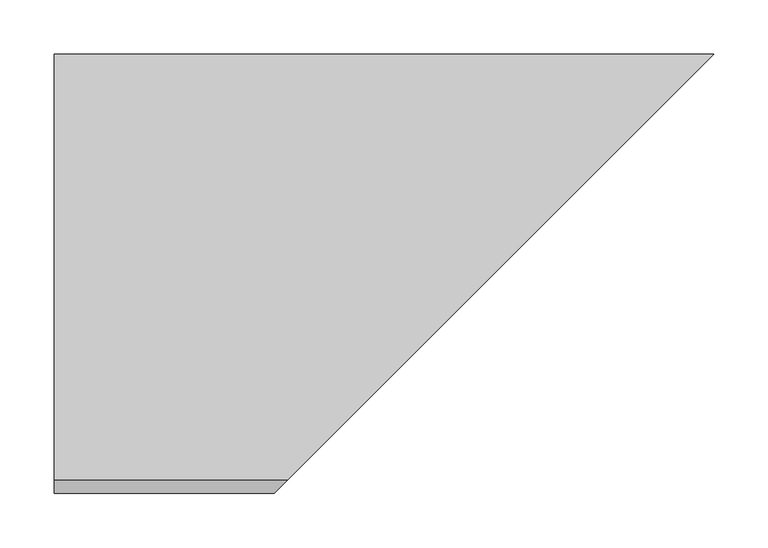
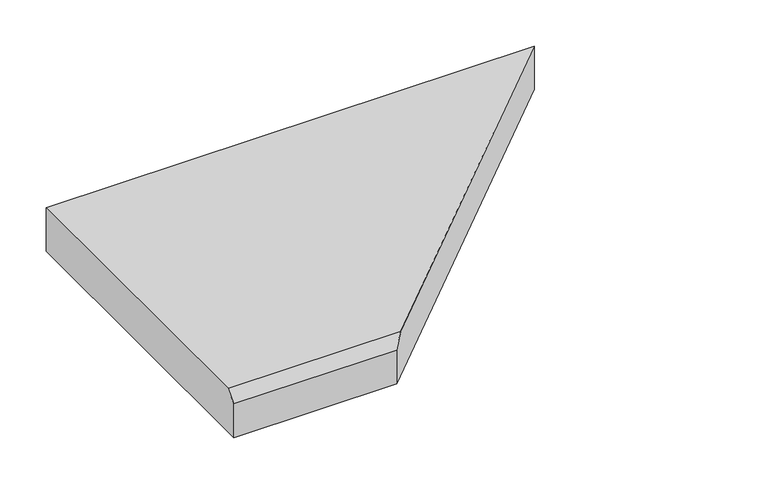
"""IFC4 building model written with IfcOpenShell, lengths in millimetres: proxy geometry."""

import ifcopenshell
import ifcopenshell.guid

model = None  # the IFC model being written
_history = None  # IfcOwnerHistory: only IFC2X3 demands one
_inside = {}  # id of a spatial element -> (the spatial element, [elements in it])
_under = {}  # id of a project, library or spatial element -> (it, [spatial elements below it])
_declared = {}  # id of a project -> (the project, [libraries it declares])
_typed = {}  # id of a type object -> (the type object, [elements of that type])
_made_of = {}  # id of a material, layer set ... -> (it, [elements and type objects made of it])


def new_model(schema):
    """Start an empty IFC model of exactly this schema.

    Asked for "IFC4X3", IfcOpenShell would pick the latest addendum, in which some entities
    have other attributes; the version numbers below select the first issue.
    IFC2X3 requires an IfcOwnerHistory on every rooted entity: one is made here for all.
    """
    global model, _history
    if schema == "IFC4X3":
        model = ifcopenshell.file(schema_version=(4, 3, 0, 0))
    else:
        model = ifcopenshell.file(schema=schema)
    _inside.clear()
    _under.clear()
    _declared.clear()
    _typed.clear()
    _made_of.clear()
    _history = None
    if model.schema == "IFC2X3":
        org = make("IfcOrganization", Name="unknown")
        user = make(
            "IfcPersonAndOrganization",
            ThePerson=make("IfcPerson", FamilyName="unknown"),
            TheOrganization=org,
        )
        app = make(
            "IfcApplication",
            ApplicationDeveloper=org,
            Version="unknown",
            ApplicationFullName="unknown",
            ApplicationIdentifier="unknown",
        )
        _history = make(
            "IfcOwnerHistory",
            OwningUser=user,
            OwningApplication=app,
            ChangeAction="ADDED",
            CreationDate=0,
        )
    return model


def make(cls, **values):
    """One entity of the class cls with the attributes given. An attribute that is None is left unset."""
    return model.create_entity(
        cls, **{name: value for name, value in values.items() if value is not None}
    )


def rooted(cls, **values):
    """An entity with a GlobalId (a new one), such as an element, a storey or a relation."""
    return make(cls, GlobalId=ifcopenshell.guid.new(), OwnerHistory=_history, **values)


def si_unit(unit_type, name, prefix=None):
    """IfcSIUnit, for example si_unit("LENGTHUNIT", "METRE", prefix="MILLI")."""
    return make("IfcSIUnit", UnitType=unit_type, Prefix=prefix, Name=name)


def assignment(units):
    """IfcUnitAssignment: the units of a project."""
    return None if units is None else make("IfcUnitAssignment", Units=units)


def point(xyz):
    """IfcCartesianPoint."""
    return None if xyz is None else make("IfcCartesianPoint", Coordinates=xyz)


def direction(xyz):
    """IfcDirection."""
    return None if xyz is None else make("IfcDirection", DirectionRatios=xyz)


def frame(location, z_axis=None, x_axis=None):
    """IfcAxis2Placement3D, a coordinate frame: its origin and axes. An axis left out is left unset."""
    return make(
        "IfcAxis2Placement3D",
        Location=point(location),
        Axis=direction(z_axis),
        RefDirection=direction(x_axis),
    )


def origin():
    """The frame at (0, 0, 0) with its axes left unset."""
    return frame((0.0, 0.0, 0.0))


def place(relative_to, where):
    """IfcLocalPlacement: puts the frame where relative to a parent placement (None: the world)."""
    return make(
        "IfcLocalPlacement", PlacementRelTo=relative_to, RelativePlacement=where
    )


def context(
    kind, dimensions, precision=None, world=None, true_north=None, identifier=None
):
    """IfcGeometricRepresentationContext, for example the 3D "Model" context."""
    return make(
        "IfcGeometricRepresentationContext",
        ContextIdentifier=identifier,
        ContextType=kind,
        CoordinateSpaceDimension=dimensions,
        Precision=precision,
        WorldCoordinateSystem=world,
        TrueNorth=true_north,
    )


def project(units=None, contexts=None):
    """IfcProject with its units and contexts."""
    return rooted(
        "IfcProject",
        Name="project",
        RepresentationContexts=contexts,
        UnitsInContext=assignment(units),
    )


def spatial(cls, under=None, at=None, **own):
    """A site, building, storey or space (cls), placed at a placement, below another one or the project."""
    s = rooted(cls, ObjectPlacement=at, **own)
    if under is not None:
        _under.setdefault(under.id(), (under, []))[1].append(s)
    return s


def faces_of(points, faces, orient=None, outer=None):
    """IfcFace entities. A face is a list of loops; a loop is a list of indices into points, from 0.

    orient and outer hold one flag for each loop. By default every Orientation is true, the
    first loop of a face is its IfcFaceOuterBound and the others are IfcFaceBound.
    """
    made = []
    for i, loops in enumerate(faces):
        bounds = []
        for j, loop in enumerate(loops):
            is_outer = j == 0 if outer is None else outer[i][j]
            bounds.append(
                make(
                    "IfcFaceOuterBound" if is_outer else "IfcFaceBound",
                    Bound=make("IfcPolyLoop", Polygon=[points[k] for k in loop]),
                    Orientation=True if orient is None else orient[i][j],
                )
            )
        made.append(make("IfcFace", Bounds=bounds))
    return made


def faceted_brep(points, faces, orient=None, outer=None, voids=None):
    """IfcFacetedBrep: a solid bounded by flat faces; with voids (closed shells), ...WithVoids."""
    shared = [point(p) for p in points]
    hull = make("IfcClosedShell", CfsFaces=faces_of(shared, faces, orient, outer))
    if voids is None:
        return make("IfcFacetedBrep", Outer=hull)
    return make(
        "IfcFacetedBrepWithVoids",
        Outer=hull,
        Voids=[
            make(cls, CfsFaces=faces_of(shared, fs, o, b)) for cls, fs, o, b in voids
        ],
    )


def shape(context_of_items, identifier, shape_type, items):
    """IfcShapeRepresentation: the items that make up one representation, for example the "Body"."""
    return make(
        "IfcShapeRepresentation",
        ContextOfItems=context_of_items,
        RepresentationIdentifier=identifier,
        RepresentationType=shape_type,
        Items=items,
    )


def source(mapping_origin, context_of_items, identifier, shape_type, items):
    """IfcRepresentationMap: a shape defined once, which mapped items show again and again."""
    return make(
        "IfcRepresentationMap",
        MappingOrigin=mapping_origin,
        MappedRepresentation=shape(context_of_items, identifier, shape_type, items),
    )


def transform(
    local_origin,
    x_axis=None,
    y_axis=None,
    z_axis=None,
    scale=None,
    scale2=None,
    scale3=None,
    uniform=True,
):
    """IfcCartesianTransformationOperator3D, or its non-uniform kind. x_axis, y_axis, z_axis: its Axis1, 2, 3."""
    if uniform:
        return make(
            "IfcCartesianTransformationOperator3D",
            Axis1=direction(x_axis),
            Axis2=direction(y_axis),
            LocalOrigin=point(local_origin),
            Scale=scale,
            Axis3=direction(z_axis),
        )
    return make(
        "IfcCartesianTransformationOperator3DnonUniform",
        Axis1=direction(x_axis),
        Axis2=direction(y_axis),
        LocalOrigin=point(local_origin),
        Scale=scale,
        Axis3=direction(z_axis),
        Scale2=scale2,
        Scale3=scale3,
    )


def mapped(mapping_source, mapping_target):
    """IfcMappedItem: shows the shape of a source again, moved by a transform."""
    return make(
        "IfcMappedItem", MappingSource=mapping_source, MappingTarget=mapping_target
    )


def made_of(thing, what):
    """Note that an element or type object is made of a material, layer set ...; save() writes the relation."""
    if what is not None:
        _made_of.setdefault(what.id(), (what, []))[1].append(thing)
    return thing


def element(
    cls,
    number,
    at=None,
    inside=None,
    cuts=None,
    type_object=None,
    material=None,
    context=None,
    identifier="Body",
    shape_type=None,
    held_by="IfcProductDefinitionShape",
    body=None,
    shapes=None,
    **own,
):
    """One element of the class cls, such as IfcWall. Its Tag is "e" and its number.

    at: its placement. inside: the storey or other place that contains it. cuts: it is an
    opening in that element (IfcRelVoidsElement). A single representation is given by context,
    identifier, shape_type and body (its items); several are given by shapes. held_by: the class
    of the entity that holds the representations. save() writes the other relations.
    """
    e = rooted(cls, Tag="e%d" % number, ObjectPlacement=at, **own)
    if body is not None:
        shapes = [shape(context, identifier, shape_type, body)]
    if shapes is not None:
        e.Representation = make(held_by, Representations=shapes)
    if inside is not None:
        _inside.setdefault(inside.id(), (inside, []))[1].append(e)
    if cuts is not None:
        rooted(
            "IfcRelVoidsElement", RelatingBuildingElement=cuts, RelatedOpeningElement=e
        )
    if type_object is not None:
        _typed.setdefault(type_object.id(), (type_object, []))[1].append(e)
    return made_of(e, material)


def aggregate(whole, parts):
    """IfcRelAggregates: a whole, such as a stair, and the parts it consists of."""
    return rooted("IfcRelAggregates", RelatingObject=whole, RelatedObjects=parts)


def save(model, path):
    """Write the relations noted so far, then the file.

    IfcRelAggregates (storeys below a building ...), IfcRelContainedInSpatialStructure (elements
    in a storey), IfcRelDefinesByType, IfcRelAssociatesMaterial and IfcRelDeclares: one each for
    every whole, place, type object, material and project.
    """
    for whole, parts in _under.values():
        aggregate(whole, parts)
    for where, things in _inside.values():
        rooted(
            "IfcRelContainedInSpatialStructure",
            RelatedElements=things,
            RelatingStructure=where,
        )
    for kind, things in _typed.values():
        rooted("IfcRelDefinesByType", RelatedObjects=things, RelatingType=kind)
    for what, things in _made_of.values():
        rooted("IfcRelAssociatesMaterial", RelatedObjects=things, RelatingMaterial=what)
    for by, libraries in _declared.values():
        rooted("IfcRelDeclares", RelatingContext=by, RelatedDefinitions=libraries)
    model.write(path)


def generic_models_b0e6c2b9(model_context):
    return source(origin(), model_context, "Body", "Brep", [
        faceted_brep([(0.0, -406.4, 0.0), (0.0, -406.4, 44.45), (0.0, -393.7, 57.15), (0.0, 0.0, 57.15), (0.0, 0.0, 0.0), (215.9, -393.7, 57.15), (609.6, 0.0, 57.15), (609.6, 0.0, 0.0), (203.2, -406.4, 0.0), (203.2, -406.4, 44.45)], [[[0, 1, 2, 3, 4]], [[3, 2, 5, 6]], [[4, 3, 6, 7]], [[0, 4, 7, 8]], [[1, 0, 8, 9]], [[2, 1, 9, 5]], [[6, 5, 9, 8, 7]]]),
    ])


if __name__ == "__main__":
    model = new_model("IFC4")
    model_context = context("Model", 3, world=origin())
    ifc_project = project(units=[si_unit("LENGTHUNIT", "METRE", prefix="MILLI")], contexts=[model_context])
    site = spatial("IfcSite", under=ifc_project)
    building = spatial("IfcBuilding", under=site)
    placement = place(None, origin())
    generic_models_shape = generic_models_b0e6c2b9(model_context)
    element("IfcBuildingElementProxy", 1, Name="Generic Models", at=placement, inside=building, context=model_context, shape_type="MappedRepresentation", body=[
        mapped(generic_models_shape, transform((0.0, 0.0, 0.0), x_axis=(1.0, 0.0, 0.0), y_axis=(0.0, 1.0, 0.0), z_axis=(0.0, 0.0, 1.0))),
    ])
    save(model, "model.ifc")
